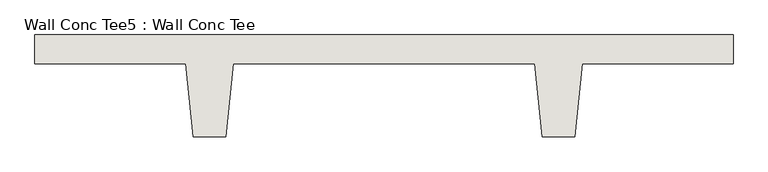
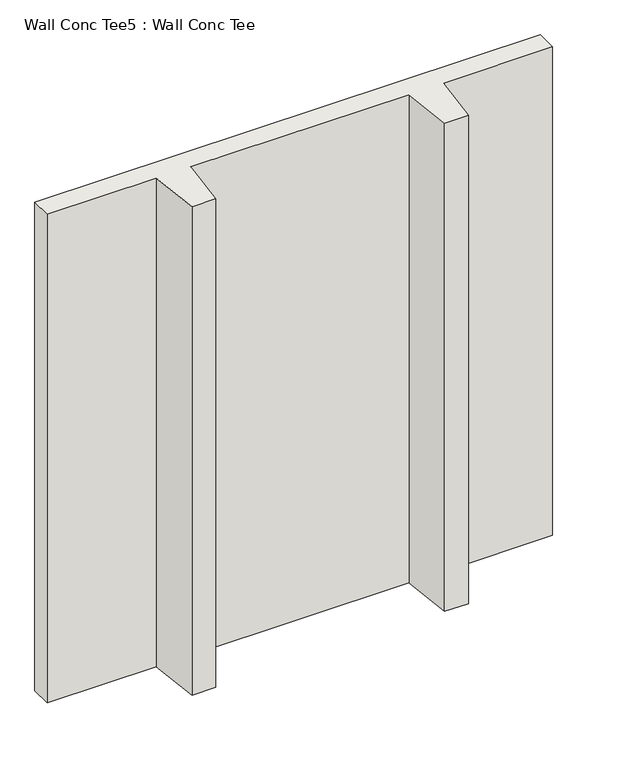
"""IFC4 building model written with IfcOpenShell, lengths in millimetres: wall geometry, Wall Conc Tee5 : Wall Conc Tee."""

from ifc_helpers import new_model, si_unit, frame, origin, place, context, project, spatial, polyline, outline, extrude, source, transform, mapped, element, save


def wall_conc_tee5_wall_conc_tee_699f3ccf(model_context):
    return source(origin(), model_context, "Body", "SweptSolid", [
        extrude(outline(polyline([(219926.6728488, 159042.8596581), (219926.6728488, 158941.2596581), (219399.6228488, 158941.2596581), (219374.2228488, 158687.2596581), (219259.9228488, 158687.2596581), (219234.5228488, 158941.2596581), (218180.4228488, 158941.2596581), (218155.0228488, 158687.2596581), (218040.7228488, 158687.2596581), (218015.3228488, 158941.2596581), (217488.2728488, 158941.2596581), (217488.2728488, 159042.8596581), (219926.6728488, 159042.8596581)])), frame((0.0, 0.0, 2886.9592564), z_axis=(0.0, 0.0, 1.0), x_axis=(1.0, 0.0, 0.0)), (0.0, 0.0, 1.0), 2489.2087123),
    ])


if __name__ == "__main__":
    model = new_model("IFC4")
    model_context = context("Model", 3, world=origin())
    ifc_project = project(units=[si_unit("LENGTHUNIT", "METRE", prefix="MILLI")], contexts=[model_context])
    site = spatial("IfcSite", under=ifc_project)
    building = spatial("IfcBuilding", under=site)
    placement = place(None, origin())
    wall_conc_tee5_wall_conc_tee_shape = wall_conc_tee5_wall_conc_tee_699f3ccf(model_context)
    element("IfcWall", 1, ObjectType="Wall Conc Tee5 : Wall Conc Tee", at=placement, inside=building, context=model_context, shape_type="MappedRepresentation", body=[
        mapped(wall_conc_tee5_wall_conc_tee_shape, transform((0.0, 0.0, 0.0), x_axis=(1.0, 0.0, 0.0), y_axis=(0.0, 1.0, 0.0), z_axis=(0.0, 0.0, 1.0))),
    ])
    save(model, "model.ifc")
